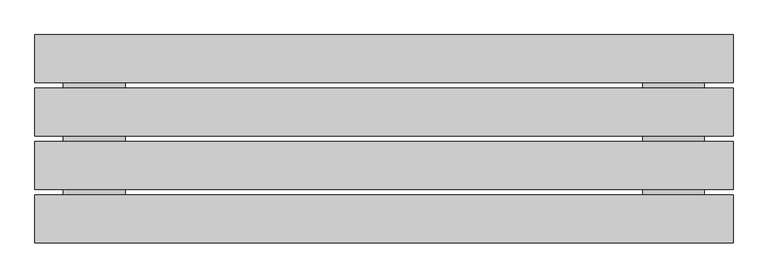
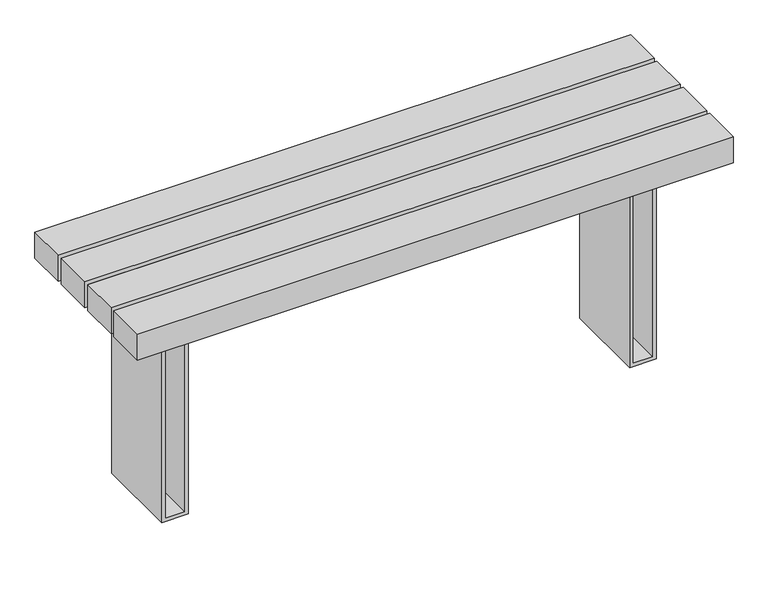
"""IFC4 building model written with IfcOpenShell, lengths in millimetres: furniture geometry."""

from ifc_helpers import new_model, si_unit, frame, origin, place, context, project, spatial, polyline, outline, extrude, source, transform, mapped, element, save


def furniture_73793343(model_context):
    return source(origin(), model_context, "Body", "SweptSolid", [
        extrude(outline(polyline([(-667.3000391, -171.2111197), (-826.9999569, -171.2111197), (-826.9999569, 240.6902822), (-667.3000391, 240.6902822), (-667.3000391, -171.2111197)])), frame((0.0, 0.0, 656.6990066), z_axis=(0.0, 0.0, 1.0), x_axis=(1.0, 0.0, 0.0)), (0.0, 0.0, 1.0), 11.1049083),
        extrude(outline(polyline([(825.0012185, -171.2111197), (667.3000391, -171.2111197), (667.3000391, 240.6902822), (825.0012185, 240.6902822), (825.0012185, -171.2111197)])), frame((0.0, 0.0, 656.6990066), z_axis=(0.0, 0.0, 1.0), x_axis=(1.0, 0.0, 0.0)), (0.0, 0.0, 1.0), 11.1049083),
        extrude(outline(polyline([(0.0, -747.0003342), (0.0, -667.0002754), (656.6990066, -667.0002754), (656.6990066, -677.0002754), (10.0, -677.0002754), (10.0, -737.0003342), (656.6990066, -737.0003342), (656.6990066, -747.0003342), (0.0, -747.0003342)])), frame((0.0, -130.5001671, 0.0), z_axis=(0.0, 1.0, 0.0), x_axis=(0.0, 0.0, 1.0)), (0.0, 0.0, 1.0), 261.0000435),
        extrude(outline(polyline([(0.0, 747.0003342), (656.6990066, 747.0003342), (656.6990066, 737.0003342), (10.0, 737.0003342), (10.0, 677.0002754), (656.6990066, 677.0002754), (656.6990066, 667.0002754), (0.0, 667.0002754), (0.0, 747.0003342)])), frame((0.0, -130.5001671, 0.0), z_axis=(0.0, 1.0, 0.0), x_axis=(0.0, 0.0, 1.0)), (0.0, 0.0, 1.0), 261.0000435),
        extrude(outline(polyline([(900.0, 268.4998398), (900.0, 145.4998398), (-900.0, 145.4998398), (-900.0, 268.4998398), (900.0, 268.4998398)])), frame((0.0, 0.0, 656.6990066), z_axis=(0.0, 0.0, 1.0), x_axis=(1.0, 0.0, 0.0)), (0.0, 0.0, 1.0), 83.1049466),
        extrude(outline(polyline([(900.0, -145.4826926), (900.0, -268.4826926), (-900.0, -268.4826926), (-900.0, -145.4826926), (900.0, -145.4826926)])), frame((0.0, 0.0, 656.6990066), z_axis=(0.0, 0.0, 1.0), x_axis=(1.0, 0.0, 0.0)), (0.0, 0.0, 1.0), 83.1049466),
        extrude(outline(polyline([(739.8039532, 900.0000373), (739.8039532, -900.0), (656.6990066, -900.0), (656.6990066, 900.0000373), (739.8039532, 900.0000373)]), holes=[polyline([(727.8039532, -888.0), (727.8039532, 888.0), (668.6990066, 888.0), (668.6990066, -888.0), (727.8039532, -888.0)])]), frame((0.0, -130.5001671, 0.0), z_axis=(0.0, 1.0, 0.0), x_axis=(0.0, 0.0, 1.0)), (0.0, 0.0, 1.0), 123.0000435),
        extrude(outline(polyline([(739.8039532, 900.0000373), (739.8039532, -900.0), (656.6990066, -900.0), (656.6990066, 900.0000373), (739.8039532, 900.0000373)]), holes=[polyline([(727.8039532, -888.0), (727.8039532, 888.0), (668.6990066, 888.0), (668.6990066, -888.0), (727.8039532, -888.0)])]), frame((0.0, 7.4998329, 0.0), z_axis=(0.0, 1.0, 0.0), x_axis=(0.0, 0.0, 1.0)), (0.0, 0.0, 1.0), 123.0000435),
    ])


if __name__ == "__main__":
    model = new_model("IFC4")
    model_context = context("Model", 3, world=origin())
    ifc_project = project(units=[si_unit("LENGTHUNIT", "METRE", prefix="MILLI")], contexts=[model_context])
    site = spatial("IfcSite", under=ifc_project)
    building = spatial("IfcBuilding", under=site)
    placement = place(None, origin())
    furniture_shape = furniture_73793343(model_context)
    element("IfcFurniture", 1, at=placement, inside=building, context=model_context, shape_type="MappedRepresentation", body=[
        mapped(furniture_shape, transform((0.0, 0.0, 0.0), x_axis=(1.0, 0.0, 0.0), y_axis=(0.0, 1.0, 0.0), z_axis=(0.0, 0.0, 1.0))),
    ])
    save(model, "model.ifc")
